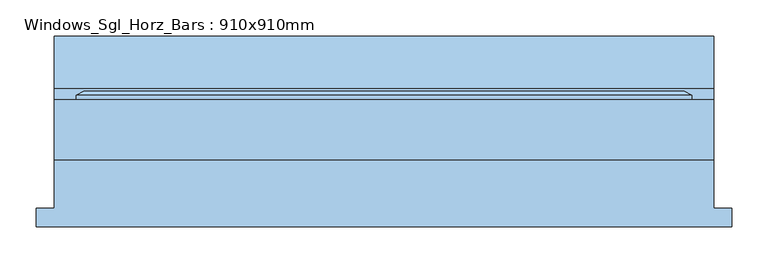
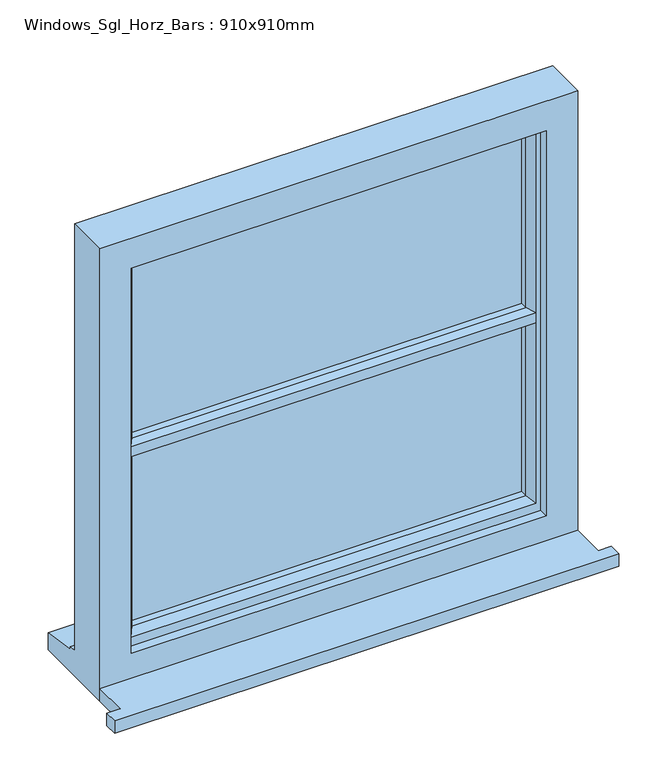
"""IFC4 building model written with IfcOpenShell, lengths in millimetres: window geometry, Windows_Sgl_Horz_Bars : 910x910mm."""

import ifcopenshell
import ifcopenshell.guid

model = None  # the IFC model being written
_history = None  # IfcOwnerHistory: only IFC2X3 demands one
_inside = {}  # id of a spatial element -> (the spatial element, [elements in it])
_under = {}  # id of a project, library or spatial element -> (it, [spatial elements below it])
_declared = {}  # id of a project -> (the project, [libraries it declares])
_typed = {}  # id of a type object -> (the type object, [elements of that type])
_made_of = {}  # id of a material, layer set ... -> (it, [elements and type objects made of it])


def new_model(schema):
    """Start an empty IFC model of exactly this schema.

    Asked for "IFC4X3", IfcOpenShell would pick the latest addendum, in which some entities
    have other attributes; the version numbers below select the first issue.
    IFC2X3 requires an IfcOwnerHistory on every rooted entity: one is made here for all.
    """
    global model, _history
    if schema == "IFC4X3":
        model = ifcopenshell.file(schema_version=(4, 3, 0, 0))
    else:
        model = ifcopenshell.file(schema=schema)
    _inside.clear()
    _under.clear()
    _declared.clear()
    _typed.clear()
    _made_of.clear()
    _history = None
    if model.schema == "IFC2X3":
        org = make("IfcOrganization", Name="unknown")
        user = make(
            "IfcPersonAndOrganization",
            ThePerson=make("IfcPerson", FamilyName="unknown"),
            TheOrganization=org,
        )
        app = make(
            "IfcApplication",
            ApplicationDeveloper=org,
            Version="unknown",
            ApplicationFullName="unknown",
            ApplicationIdentifier="unknown",
        )
        _history = make(
            "IfcOwnerHistory",
            OwningUser=user,
            OwningApplication=app,
            ChangeAction="ADDED",
            CreationDate=0,
        )
    return model


def make(cls, **values):
    """One entity of the class cls with the attributes given. An attribute that is None is left unset."""
    return model.create_entity(
        cls, **{name: value for name, value in values.items() if value is not None}
    )


def rooted(cls, **values):
    """An entity with a GlobalId (a new one), such as an element, a storey or a relation."""
    return make(cls, GlobalId=ifcopenshell.guid.new(), OwnerHistory=_history, **values)


def si_unit(unit_type, name, prefix=None):
    """IfcSIUnit, for example si_unit("LENGTHUNIT", "METRE", prefix="MILLI")."""
    return make("IfcSIUnit", UnitType=unit_type, Prefix=prefix, Name=name)


def assignment(units):
    """IfcUnitAssignment: the units of a project."""
    return None if units is None else make("IfcUnitAssignment", Units=units)


def point(xyz):
    """IfcCartesianPoint."""
    return None if xyz is None else make("IfcCartesianPoint", Coordinates=xyz)


def direction(xyz):
    """IfcDirection."""
    return None if xyz is None else make("IfcDirection", DirectionRatios=xyz)


def frame(location, z_axis=None, x_axis=None):
    """IfcAxis2Placement3D, a coordinate frame: its origin and axes. An axis left out is left unset."""
    return make(
        "IfcAxis2Placement3D",
        Location=point(location),
        Axis=direction(z_axis),
        RefDirection=direction(x_axis),
    )


def origin():
    """The frame at (0, 0, 0) with its axes left unset."""
    return frame((0.0, 0.0, 0.0))


def place(relative_to, where):
    """IfcLocalPlacement: puts the frame where relative to a parent placement (None: the world)."""
    return make(
        "IfcLocalPlacement", PlacementRelTo=relative_to, RelativePlacement=where
    )


def context(
    kind, dimensions, precision=None, world=None, true_north=None, identifier=None
):
    """IfcGeometricRepresentationContext, for example the 3D "Model" context."""
    return make(
        "IfcGeometricRepresentationContext",
        ContextIdentifier=identifier,
        ContextType=kind,
        CoordinateSpaceDimension=dimensions,
        Precision=precision,
        WorldCoordinateSystem=world,
        TrueNorth=true_north,
    )


def project(units=None, contexts=None):
    """IfcProject with its units and contexts."""
    return rooted(
        "IfcProject",
        Name="project",
        RepresentationContexts=contexts,
        UnitsInContext=assignment(units),
    )


def spatial(cls, under=None, at=None, **own):
    """A site, building, storey or space (cls), placed at a placement, below another one or the project."""
    s = rooted(cls, ObjectPlacement=at, **own)
    if under is not None:
        _under.setdefault(under.id(), (under, []))[1].append(s)
    return s


def polyline(points):
    """IfcPolyline through the points."""
    return make("IfcPolyline", Points=[point(p) for p in points])


def outline(outer, holes=None, kind="AREA"):
    """IfcArbitraryClosedProfileDef: a profile drawn as a closed curve; with holes, ...WithVoids."""
    if holes is None:
        return make("IfcArbitraryClosedProfileDef", ProfileType=kind, OuterCurve=outer)
    return make(
        "IfcArbitraryProfileDefWithVoids",
        ProfileType=kind,
        OuterCurve=outer,
        InnerCurves=holes,
    )


def extrude(swept, where, along, depth):
    """IfcExtrudedAreaSolid: the profile swept, set in the frame where, extruded along a direction by depth."""
    return make(
        "IfcExtrudedAreaSolid",
        SweptArea=swept,
        Position=where,
        ExtrudedDirection=direction(along),
        Depth=depth,
    )


def faces_of(points, faces, orient=None, outer=None):
    """IfcFace entities. A face is a list of loops; a loop is a list of indices into points, from 0.

    orient and outer hold one flag for each loop. By default every Orientation is true, the
    first loop of a face is its IfcFaceOuterBound and the others are IfcFaceBound.
    """
    made = []
    for i, loops in enumerate(faces):
        bounds = []
        for j, loop in enumerate(loops):
            is_outer = j == 0 if outer is None else outer[i][j]
            bounds.append(
                make(
                    "IfcFaceOuterBound" if is_outer else "IfcFaceBound",
                    Bound=make("IfcPolyLoop", Polygon=[points[k] for k in loop]),
                    Orientation=True if orient is None else orient[i][j],
                )
            )
        made.append(make("IfcFace", Bounds=bounds))
    return made


def faceted_brep(points, faces, orient=None, outer=None, voids=None):
    """IfcFacetedBrep: a solid bounded by flat faces; with voids (closed shells), ...WithVoids."""
    shared = [point(p) for p in points]
    hull = make("IfcClosedShell", CfsFaces=faces_of(shared, faces, orient, outer))
    if voids is None:
        return make("IfcFacetedBrep", Outer=hull)
    return make(
        "IfcFacetedBrepWithVoids",
        Outer=hull,
        Voids=[
            make(cls, CfsFaces=faces_of(shared, fs, o, b)) for cls, fs, o, b in voids
        ],
    )


def shape(context_of_items, identifier, shape_type, items):
    """IfcShapeRepresentation: the items that make up one representation, for example the "Body"."""
    return make(
        "IfcShapeRepresentation",
        ContextOfItems=context_of_items,
        RepresentationIdentifier=identifier,
        RepresentationType=shape_type,
        Items=items,
    )


def source(mapping_origin, context_of_items, identifier, shape_type, items):
    """IfcRepresentationMap: a shape defined once, which mapped items show again and again."""
    return make(
        "IfcRepresentationMap",
        MappingOrigin=mapping_origin,
        MappedRepresentation=shape(context_of_items, identifier, shape_type, items),
    )


def transform(
    local_origin,
    x_axis=None,
    y_axis=None,
    z_axis=None,
    scale=None,
    scale2=None,
    scale3=None,
    uniform=True,
):
    """IfcCartesianTransformationOperator3D, or its non-uniform kind. x_axis, y_axis, z_axis: its Axis1, 2, 3."""
    if uniform:
        return make(
            "IfcCartesianTransformationOperator3D",
            Axis1=direction(x_axis),
            Axis2=direction(y_axis),
            LocalOrigin=point(local_origin),
            Scale=scale,
            Axis3=direction(z_axis),
        )
    return make(
        "IfcCartesianTransformationOperator3DnonUniform",
        Axis1=direction(x_axis),
        Axis2=direction(y_axis),
        LocalOrigin=point(local_origin),
        Scale=scale,
        Axis3=direction(z_axis),
        Scale2=scale2,
        Scale3=scale3,
    )


def mapped(mapping_source, mapping_target):
    """IfcMappedItem: shows the shape of a source again, moved by a transform."""
    return make(
        "IfcMappedItem", MappingSource=mapping_source, MappingTarget=mapping_target
    )


def made_of(thing, what):
    """Note that an element or type object is made of a material, layer set ...; save() writes the relation."""
    if what is not None:
        _made_of.setdefault(what.id(), (what, []))[1].append(thing)
    return thing


def element(
    cls,
    number,
    at=None,
    inside=None,
    cuts=None,
    type_object=None,
    material=None,
    context=None,
    identifier="Body",
    shape_type=None,
    held_by="IfcProductDefinitionShape",
    body=None,
    shapes=None,
    **own,
):
    """One element of the class cls, such as IfcWall. Its Tag is "e" and its number.

    at: its placement. inside: the storey or other place that contains it. cuts: it is an
    opening in that element (IfcRelVoidsElement). A single representation is given by context,
    identifier, shape_type and body (its items); several are given by shapes. held_by: the class
    of the entity that holds the representations. save() writes the other relations.
    """
    e = rooted(cls, Tag="e%d" % number, ObjectPlacement=at, **own)
    if body is not None:
        shapes = [shape(context, identifier, shape_type, body)]
    if shapes is not None:
        e.Representation = make(held_by, Representations=shapes)
    if inside is not None:
        _inside.setdefault(inside.id(), (inside, []))[1].append(e)
    if cuts is not None:
        rooted(
            "IfcRelVoidsElement", RelatingBuildingElement=cuts, RelatedOpeningElement=e
        )
    if type_object is not None:
        _typed.setdefault(type_object.id(), (type_object, []))[1].append(e)
    return made_of(e, material)


def aggregate(whole, parts):
    """IfcRelAggregates: a whole, such as a stair, and the parts it consists of."""
    return rooted("IfcRelAggregates", RelatingObject=whole, RelatedObjects=parts)


def save(model, path):
    """Write the relations noted so far, then the file.

    IfcRelAggregates (storeys below a building ...), IfcRelContainedInSpatialStructure (elements
    in a storey), IfcRelDefinesByType, IfcRelAssociatesMaterial and IfcRelDeclares: one each for
    every whole, place, type object, material and project.
    """
    for whole, parts in _under.values():
        aggregate(whole, parts)
    for where, things in _inside.values():
        rooted(
            "IfcRelContainedInSpatialStructure",
            RelatedElements=things,
            RelatingStructure=where,
        )
    for kind, things in _typed.values():
        rooted("IfcRelDefinesByType", RelatedObjects=things, RelatingType=kind)
    for what, things in _made_of.values():
        rooted("IfcRelAssociatesMaterial", RelatedObjects=things, RelatingMaterial=what)
    for by, libraries in _declared.values():
        rooted("IfcRelDeclares", RelatingContext=by, RelatedDefinitions=libraries)
    model.write(path)


def windows_sgl_horz_bars_910x910mm_a733e4e6(model_context):
    return source(origin(), model_context, "Body", "SolidModel", [
        extrude(outline(polyline([(-480.0, -116.5434322), (-480.0, -91.5434322), (-455.0, -91.5434322), (-455.0, -24.5434322), (455.0, -24.5434322), (455.0, -91.5434322), (480.0, -91.5434322), (480.0, -116.5434322), (-480.0, -116.5434322)])), frame((0.0, 0.0, 1200.0), z_axis=(0.0, 0.0, 1.0), x_axis=(1.0, 0.0, 0.0)), (0.0, 0.0, 1.0), 25.0),
        faceted_brep([(-455.0, -24.5434322, 1200.0), (455.0, -24.5434322, 1200.0), (455.0, -24.5434322, 2110.0), (-455.0, -24.5434322, 2110.0), (-395.0, -24.5434322, 2050.0), (395.0, -24.5434322, 2050.0), (395.0, -24.5434322, 1275.0), (-395.0, -24.5434322, 1275.0), (-455.0, 58.4565678, 2110.0), (-455.0, 58.4565678, 1251.0), (-455.0, 73.4565678, 1249.68767), (-455.0, 73.4565678, 1244.7449676), (-455.0, 145.9565678, 1233.8088847), (-455.0, 145.9565678, 1200.0), (455.0, 58.4565678, 2110.0), (455.0, 58.4565678, 1251.0), (-415.0, 58.4565678, 2070.0), (-415.0, 58.4565678, 1263.0), (415.0, 58.4565678, 1263.0), (415.0, 58.4565678, 2070.0), (-415.0, -6.5434322, 2070.0), (-415.0, -6.5434322, 1263.0), (415.0, -6.5434322, 2070.0), (415.0, -6.5434322, 1263.0), (-395.0, -6.5434322, 2050.0), (-395.0, -6.5434322, 1275.0), (395.0, -6.5434322, 1275.0), (395.0, -6.5434322, 2050.0), (455.0, 145.9565678, 1200.0), (455.0, 145.9565678, 1233.8088847), (455.0, 73.4565678, 1244.7449676), (455.0, 73.4565678, 1249.68767)], [[[0, 1, 2, 3], [4, 5, 6, 7]], [[0, 3, 8, 9, 10, 11, 12, 13]], [[9, 8, 14, 15], [16, 17, 18, 19]], [[17, 16, 20, 21]], [[20, 22, 23, 21], [24, 25, 26, 27]], [[24, 4, 7, 25]], [[3, 2, 14, 8]], [[16, 19, 22, 20]], [[5, 4, 24, 27]], [[15, 14, 2, 1, 28, 29, 30, 31]], [[19, 18, 23, 22]], [[5, 27, 26, 6]], [[28, 1, 0, 13]], [[29, 28, 13, 12]], [[30, 29, 12, 11]], [[31, 30, 11, 10]], [[15, 31, 10, 9]], [[21, 23, 18, 17]], [[7, 6, 26, 25]]]),
        extrude(outline(polyline([(385.1480377, 22.4565678), (-385.0, 22.4565678), (-385.0, 46.4565678), (385.1480377, 46.4565678), (385.1480377, 22.4565678)])), frame((0.0, 0.0, 1293.0), z_axis=(0.0, 0.0, 1.0), x_axis=(1.0, 0.0, 0.0)), (0.0, 0.0, 1.0), 368.3307627),
        extrude(outline(polyline([(385.1480377, 22.4565678), (-385.0, 22.4565678), (-385.0, 46.4565678), (385.1480377, 46.4565678), (385.1480377, 22.4565678)])), frame((0.0, 0.0, 1671.6692373), z_axis=(0.0, 0.0, 1.0), x_axis=(1.0, 0.0, 0.0)), (0.0, 0.0, 1.0), 368.3307627),
        extrude(outline(polyline([(70.0035732, 1671.6692373), (70.0035732, 1661.3307627), (64.3277797, 1651.5), (46.4565678, 1651.5), (46.4565678, 1658.5), (22.4565678, 1658.5), (22.4565678, 1651.5), (7.9494677, 1651.5), (-6.5434322, 1656.6480377), (-6.5434322, 1676.3519623), (7.9494677, 1681.5), (22.4565678, 1681.5), (22.4565678, 1674.5), (46.4565678, 1674.5), (46.4565678, 1681.5), (64.3277797, 1681.5), (70.0035732, 1671.6692373)])), frame((-385.1480377, 0.0, 0.0), z_axis=(1.0, 0.0, 0.0), x_axis=(0.0, 1.0, 0.0)), (0.0, 0.0, 1.0), 770.2960754),
        faceted_brep([(-425.0, 58.4565678, 2080.0), (-425.0, 64.2300705, 2080.0), (-425.0, 64.2300705, 1253.0), (-425.0, 58.4565678, 1253.0), (-415.0, -6.5434322, 2070.0), (-415.0, 58.4565678, 2070.0), (-415.0, 58.4565678, 1263.0), (-415.0, -6.5434322, 1263.0), (-375.0, 7.9494677, 2030.0), (-385.1480377, -6.5434322, 2040.1480377), (-385.1480377, -6.5434322, 1292.8519623), (-375.0, 7.9494677, 1303.0), (-375.0, 22.4565678, 2030.0), (-375.0, 22.4565678, 1303.0), (-385.0, 46.4565678, 2040.0), (-385.0, 22.4565678, 2040.0), (-385.0, 22.4565678, 1293.0), (-385.0, 46.4565678, 1293.0), (-375.0, 64.2300705, 2030.0), (-375.0, 46.4565678, 2030.0), (-375.0, 46.4565678, 1303.0), (-375.0, 64.2300705, 1303.0), (-385.0, 70.0035732, 2040.0), (-385.0, 70.0035732, 1293.0), (-414.2153903, 70.0035732, 2069.2153903), (-414.2153903, 70.0035732, 1263.7846097), (425.0, 64.2300705, 1253.0), (425.0, 58.4565678, 1253.0), (415.0, 58.4565678, 1263.0), (415.0, -6.5434322, 1263.0), (385.1480377, -6.5434322, 1292.8519623), (375.0, 7.9494677, 1303.0), (375.0, 22.4565678, 1303.0), (385.0, 22.4565678, 1293.0), (385.0, 46.4565678, 1293.0), (375.0, 46.4565678, 1303.0), (375.0, 64.2300705, 1303.0), (385.0, 70.0035732, 1293.0), (414.2153903, 70.0035732, 1263.7846097), (425.0, 64.2300705, 2080.0), (425.0, 58.4565678, 2080.0), (415.0, 58.4565678, 2070.0), (415.0, -6.5434322, 2070.0), (385.1480377, -6.5434322, 2040.1480377), (375.0, 7.9494677, 2030.0), (375.0, 22.4565678, 2030.0), (385.0, 22.4565678, 2040.0), (385.0, 46.4565678, 2040.0), (375.0, 46.4565678, 2030.0), (375.0, 64.2300705, 2030.0), (385.0, 70.0035732, 2040.0), (414.2153903, 70.0035732, 2069.2153903)], [[[0, 1, 2, 3]], [[4, 5, 6, 7]], [[8, 9, 10, 11]], [[12, 8, 11, 13]], [[14, 15, 16, 17]], [[18, 19, 20, 21]], [[22, 18, 21, 23]], [[1, 24, 25, 2]], [[3, 2, 26, 27]], [[7, 6, 28, 29]], [[11, 10, 30, 31]], [[13, 11, 31, 32]], [[17, 16, 33, 34]], [[21, 20, 35, 36]], [[23, 21, 36, 37]], [[2, 25, 38, 26]], [[27, 26, 39, 40]], [[29, 28, 41, 42]], [[31, 30, 43, 44]], [[32, 31, 44, 45]], [[34, 33, 46, 47]], [[36, 35, 48, 49]], [[37, 36, 49, 50]], [[26, 38, 51, 39]], [[40, 39, 1, 0]], [[3, 27, 40, 0], [5, 41, 28, 6]], [[42, 41, 5, 4]], [[7, 29, 42, 4], [9, 43, 30, 10]], [[44, 43, 9, 8]], [[45, 44, 8, 12]], [[15, 46, 33, 16], [13, 32, 45, 12]], [[47, 46, 15, 14]], [[17, 34, 47, 14], [19, 48, 35, 20]], [[49, 48, 19, 18]], [[50, 49, 18, 22]], [[24, 51, 38, 25], [23, 37, 50, 22]], [[39, 51, 24, 1]]]),
    ])


if __name__ == "__main__":
    model = new_model("IFC4")
    model_context = context("Model", 3, world=origin())
    ifc_project = project(units=[si_unit("LENGTHUNIT", "METRE", prefix="MILLI")], contexts=[model_context])
    site = spatial("IfcSite", under=ifc_project)
    building = spatial("IfcBuilding", under=site)
    placement = place(None, origin())
    windows_sgl_horz_bars_910x910mm_shape = windows_sgl_horz_bars_910x910mm_a733e4e6(model_context)
    element("IfcWindow", 1, ObjectType="Windows_Sgl_Horz_Bars : 910x910mm", at=placement, inside=building, context=model_context, shape_type="MappedRepresentation", body=[
        mapped(windows_sgl_horz_bars_910x910mm_shape, transform((0.0, 0.0, 0.0), x_axis=(1.0, 0.0, 0.0), y_axis=(0.0, 1.0, 0.0), z_axis=(0.0, 0.0, 1.0))),
    ])
    save(model, "model.ifc")
